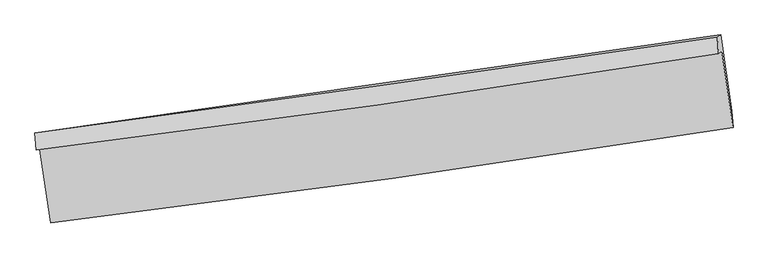
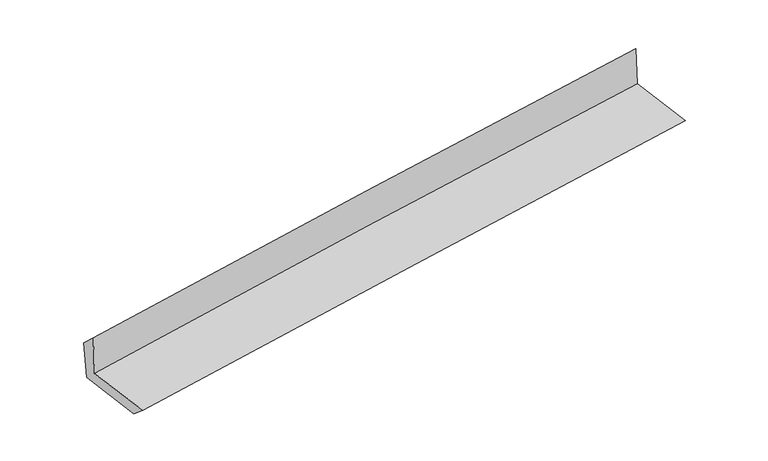
"""IFC4 building model written with IfcOpenShell, lengths in millimetres: proxy geometry."""

from ifc_helpers import new_model, si_unit, frame, origin, place, context, project, spatial, source, transform, mapped, element, save
from ifc_brep_helpers import plane_surface, spline_curve, spline_surface, advanced_brep


def generic_models_f742e2de(model_context):
    return source(origin(), model_context, "Body", "AdvancedBrep", [
        advanced_brep(
        [(-3001.2978966, -1900.1376278, 1641.5487792), (-2903.0364501, -2569.4283631, 1623.8942749), (3048.4663802, -1735.6371194, 2120.0906471), (2950.2450531, -1070.6756793, 2144.9667377), (-3030.3370132, -1930.7611915, 2053.8614609), (2920.9165983, -1093.2597092, 2546.5154553), (-3039.931067, -1783.6310301, 1909.8306197), (2911.8617423, -949.2481534, 2401.400298), (-3009.3467658, -1781.9626252, 1530.0876197), (2939.2880632, -927.0904761, 2024.0439223), (-2913.5321443, -2429.5646216, 1503.9212523), (3037.997227, -1591.5166779, 1992.2042267)],
        [
            (0, 1),
            (1, 2, spline_curve(3, [(-2903.0364501, -2569.4283631, 1623.8942749), (-1910.052603598, -2450.336901571, 1728.416683885), (-917.584117161, -2321.305682358, 1822.028691371), (1066.250084719, -2043.373824129, 1987.42589732), (2057.615875099, -1894.474628438, 2059.212680329), (3048.4663802, -1735.6371194, 2120.0906471)], [4, 2, 4], [0.0, 9.8935554498619, 19.78639227208304])),
            (2, 3),
            (3, 0, spline_curve(3, [(2950.2450531, -1070.6756793, 2144.9667377), (1958.290299, -1224.313894838, 2088.425704854), (966.369021459, -1370.252600943, 2018.20571252), (-1017.478633189, -1646.741035919, 1850.401713559), (-2009.405005532, -1777.289645926, 1752.815719913), (-3001.2978966, -1900.1376278, 1641.5487792)], [4, 2, 4], [0.0, 9.892836822221142, 19.78639227208304])),
            (4, 0),
            (3, 5),
            (5, 4, spline_curve(3, [(2920.9165983, -1093.2597092, 2546.5154553), (1929.658566374, -1250.474086615, 2487.765029247), (938.109772139, -1398.870850956, 2417.337232099), (-1045.641389565, -1678.039292842, 2253.120930282), (-2037.843798966, -1808.809689286, 2159.330729592), (-3030.3370132, -1930.7611915, 2053.8614609)], [4, 2, 4], [0.0, 9.89281476225559, 19.786348150549472])),
            (6, 4),
            (5, 7),
            (7, 6, spline_curve(3, [(2911.8617423, -949.2481534, 2401.400298), (1920.745422889, -1093.027485616, 2316.959707406), (929.222557335, -1234.446618391, 2233.776714234), (-1054.708319888, -1512.574587018, 2069.919972007), (-2047.116391099, -1649.283079525, 1989.246405614), (-3039.931067, -1783.6310301, 1909.8306197)], [4, 2, 4], [0.0, 9.891799294676362, 19.784317141626225])),
            (8, 6),
            (7, 9),
            (9, 8, spline_curve(3, [(2939.2880632, -927.0904761, 2024.0439223), (1946.98940107, -1067.985339265, 1949.02786621), (955.138489026, -1209.669500689, 1870.358440956), (-1027.739852351, -1494.626768956, 1705.706870616), (-2018.767216561, -1637.899990677, 1619.72419527), (-3009.3467658, -1781.9626252, 1530.0876197)], [4, 2, 4], [0.0, 9.891433209832371, 19.783584945345396])),
            (10, 8),
            (9, 11),
            (11, 10, spline_curve(3, [(3037.997227, -1591.5166779, 1992.2042267), (2044.768789159, -1727.443211205, 1919.787397837), (1052.211777699, -1865.241202081, 1842.890375989), (-931.631443869, -2144.590244877, 1680.130035671), (-1922.917556052, -2286.141568512, 1594.266065887), (-2913.5321443, -2429.5646216, 1503.9212523)], [4, 2, 4], [0.0, 9.891517346931016, 19.783753225654507])),
            (1, 10),
            (11, 2),
        ],
        [
            spline_surface(3, 3, [[(-3001.2978966, -1900.1376278, 1641.5487792), (-2009.405005505, -1777.289645917, 1752.815719948), (-1017.478633247, -1646.741035829, 1850.401713652), (966.369021516, -1370.252601034, 2018.205712427), (1958.290299159, -1224.313894923, 2088.425704903), (2950.2450531, -1070.6756793, 2144.9667377)], [(-2968.544081097, -2123.234539573, 1635.663944429), (-1976.287538233, -2001.638731112, 1744.682707894), (-984.180461203, -1871.595918059, 1840.944039595), (999.662709267, -1594.626342038, 2007.945774058), (1991.398824423, -1447.700806089, 2078.68803007), (2982.985495453, -1292.329492664, 2136.674707525)], [(-2935.790265603, -2346.331451327, 1629.779109671), (-1943.170070968, -2225.987816288, 1736.549695854), (-950.882289207, -2096.45080025, 1831.486365483), (1032.956396971, -1819.000083002, 1997.685835634), (2024.507349726, -1671.087717262, 2068.950355161), (3015.725937847, -1513.983306036, 2128.382677275)], [(-2903.0364501, -2569.4283631, 1623.8942749), (-1910.052603695, -2450.336901483, 1728.416683801), (-917.584117164, -2321.30568248, 1822.028691426), (1066.250084722, -2043.373824006, 1987.425897265), (2057.61587499, -1894.474628427, 2059.212680328), (3048.4663802, -1735.6371194, 2120.0906471)]], [4, 4], [4, 2, 4], [0.0, 2.2370341360856445], [0.0, 9.8935554498619, 19.78639227208304]),
            spline_surface(3, 3, [[(-3030.3370132, -1930.7611915, 2053.8614609), (-2037.843799068, -1808.809689234, 2159.330729579), (-1045.641389511, -1678.039292837, 2253.120930417), (938.109772086, -1398.870850962, 2417.337231964), (1929.658566347, -1250.474086627, 2487.765029275), (2920.9165983, -1093.2597092, 2546.5154553)], [(-3020.657307648, -1920.553336908, 1916.423900322), (-2028.364201196, -1798.303008103, 2023.825726358), (-1036.253804089, -1667.606540471, 2118.881191501), (947.529521896, -1389.331434289, 2284.293392125), (1939.202477294, -1241.754022734, 2354.65192114), (2930.69274991, -1085.731699242, 2412.665882756)], [(-3010.977602152, -1910.345482392, 1778.986339778), (-2018.884603378, -1787.796327048, 1888.320723169), (-1026.866218669, -1657.173788194, 1984.641452567), (956.949271705, -1379.792017706, 2151.249552267), (1948.746388212, -1233.033958816, 2221.538813038), (2940.46890149, -1078.203689258, 2278.816310244)], [(-3001.2978966, -1900.1376278, 1641.5487792), (-2009.405005505, -1777.289645917, 1752.815719948), (-1017.478633247, -1646.741035829, 1850.401713652), (966.369021516, -1370.252601034, 2018.205712427), (1958.290299159, -1224.313894923, 2088.425704903), (2950.2450531, -1070.6756793, 2144.9667377)]], [4, 4], [4, 2, 4], [0.0, 1.3222827545224993], [0.0, 9.893533388293882, 19.786348150549472]),
            spline_surface(3, 3, [[(-3039.931067, -1783.6310301, 1909.8306197), (-2047.11639104, -1649.283079669, 1989.246405722), (-1054.708319947, -1512.574586937, 2069.919972049), (929.222557394, -1234.446618473, 2233.776714192), (1920.745422786, -1093.027485617, 2316.959707306), (2911.8617423, -949.2481534, 2401.400298)], [(-3036.73304909, -1832.674417249, 1957.8409001), (-2044.025527073, -1702.458616206, 2045.941180341), (-1051.686009807, -1567.729488901, 2130.986958149), (932.184962286, -1289.254695967, 2294.963553427), (1923.716470651, -1145.509685942, 2373.894814625), (2914.880027644, -997.252005321, 2449.772017096)], [(-3033.53503111, -1881.717804351, 2005.8511805), (-2040.934663035, -1755.634152697, 2102.63595496), (-1048.663699652, -1622.884390872, 2192.053944317), (935.147367193, -1344.062773468, 2356.150392729), (1926.687518482, -1197.991886303, 2430.829921955), (2917.898312956, -1045.255857279, 2498.143736204)], [(-3030.3370132, -1930.7611915, 2053.8614609), (-2037.843799068, -1808.809689234, 2159.330729579), (-1045.641389511, -1678.039292837, 2253.120930417), (938.109772086, -1398.870850962, 2417.337231964), (1929.658566347, -1250.474086627, 2487.765029275), (2920.9165983, -1093.2597092, 2546.5154553)]], [4, 4], [4, 2, 4], [0.0, 0.8097480324204178], [0.0, 9.892517846949863, 19.784317141626225]),
            spline_surface(3, 3, [[(-3009.3467658, -1781.9626252, 1530.0876197), (-2018.767216518, -1637.899990687, 1619.724195391), (-1027.739852351, -1494.626768996, 1705.706870736), (955.138489025, -1209.669500648, 1870.358440836), (1946.989401211, -1067.985339285, 1949.027866312), (2939.2880632, -927.0904761, 2024.0439223)], [(-3019.541532847, -1782.518760161, 1656.668619718), (-2028.216941339, -1641.694353675, 1742.898265519), (-1036.729341543, -1500.609374991, 1827.11123785), (946.499845155, -1217.928539938, 1991.497865298), (1938.241408406, -1076.33272139, 2071.6718133), (2930.145956237, -934.476368528, 2149.829380857)], [(-3029.736299953, -1783.074895139, 1783.249619682), (-2037.66666622, -1645.488716681, 1866.072335594), (-1045.718830755, -1506.591980941, 1948.515604934), (937.861201264, -1226.187579183, 2112.63728973), (1929.493415591, -1084.680103512, 2194.315760317), (2921.003849263, -941.862260972, 2275.614839443)], [(-3039.931067, -1783.6310301, 1909.8306197), (-2047.11639104, -1649.283079669, 1989.246405722), (-1054.708319947, -1512.574586937, 2069.919972049), (929.222557394, -1234.446618473, 2233.776714192), (1920.745422786, -1093.027485617, 2316.959707306), (2911.8617423, -949.2481534, 2401.400298)]], [4, 4], [4, 2, 4], [0.0, 1.1988200279320576], [0.0, 9.892151735513025, 19.783584945345396]),
            spline_surface(3, 3, [[(-2913.5321443, -2429.5646216, 1503.9212523), (-1922.917556095, -2286.141568463, 1594.266065823), (-931.631443735, -2144.590244819, 1680.130035565), (1052.211777565, -1865.241202139, 1842.890376096), (2044.768789004, -1727.443211243, 1919.787397858), (3037.997227, -1591.5166779, 1992.2042267)], [(-2945.470351474, -2213.697289465, 1512.643374744), (-1954.86744291, -2070.061042536, 1602.752108989), (-963.667579951, -1927.935752883, 1688.655647281), (1019.854014708, -1646.717301647, 1852.046397668), (2012.175659739, -1507.623920612, 1929.534220694), (3005.0941724, -1370.041277322, 2002.817458585)], [(-2977.408558626, -1997.829957335, 1521.365497256), (-1986.817329704, -1853.980516614, 1611.238152225), (-995.703716135, -1711.281260932, 1697.18125902), (987.496251882, -1428.19340114, 1861.202419264), (1979.582530476, -1287.804629916, 1939.281043475), (2972.1911178, -1148.565876678, 2013.430690415)], [(-3009.3467658, -1781.9626252, 1530.0876197), (-2018.767216518, -1637.899990687, 1619.724195391), (-1027.739852351, -1494.626768996, 1705.706870736), (955.138489025, -1209.669500648, 1870.358440836), (1946.989401211, -1067.985339285, 1949.027866312), (2939.2880632, -927.0904761, 2024.0439223)]], [4, 4], [4, 2, 4], [0.0, 2.1666923032666134], [0.0, 9.892235878723492, 19.783753225654507]),
            spline_surface(3, 3, [[(-2903.0364501, -2569.4283631, 1623.8942749), (-1910.052603695, -2450.336901483, 1728.416683801), (-917.584117164, -2321.30568248, 1822.028691426), (1066.250084722, -2043.373824006, 1987.425897265), (2057.61587499, -1894.474628427, 2059.212680328), (3048.4663802, -1735.6371194, 2120.0906471)], [(-2906.535014844, -2522.807115945, 1583.903267388), (-1914.340921172, -2395.605123821, 1683.699811162), (-922.266559362, -2262.400536592, 1774.729139468), (1061.570648995, -1983.996283383, 1939.247390205), (2053.333512984, -1838.797489357, 2012.737586151), (3044.976662456, -1687.596972224, 2077.46184028)], [(-2910.033579556, -2476.185868755, 1543.912259812), (-1918.629238618, -2340.873346125, 1638.982938461), (-926.949001536, -2203.495390707, 1727.429587523), (1056.891213292, -1924.618742763, 1891.068883157), (2049.05115101, -1783.120350313, 1966.262492035), (3041.486944744, -1639.556825076, 2034.83303352)], [(-2913.5321443, -2429.5646216, 1503.9212523), (-1922.917556095, -2286.141568463, 1594.266065823), (-931.631443735, -2144.590244819, 1680.130035565), (1052.211777565, -1865.241202139, 1842.890376096), (2044.768789004, -1727.443211243, 1919.787397858), (3037.997227, -1591.5166779, 1992.2042267)]], [4, 4], [4, 2, 4], [0.0, 0.7494947568673231], [0.0, 9.892614335028227, 19.784510110774452]),
            plane_surface(frame((2968.1291773, -1227.9046359, 2204.8702145), z_axis=(0.9865177944737411, 0.1427225506085967, 0.08008067641099333), x_axis=(-0.07236496276895057, -0.05846352845131028, 0.995663260346826))),
            plane_surface(frame((-2982.9135562, -2065.9142432, 1710.5240011), z_axis=(-0.9865177944736887, -0.14272255060856467, -0.08008067641169617), x_axis=(-0.14520772821065817, 0.9890571596719225, 0.02608928074150221))),
        ],
        [
            (0, [[1, 2, 3, 4]]),
            (1, [[5, -4, 6, 7]]),
            (2, [[8, -7, 9, 10]]),
            (3, [[11, -10, 12, 13]]),
            (4, [[14, -13, 15, 16]]),
            (5, [[17, -16, 18, -2]]),
            (6, [[-12, -9, -6, -3, -18, -15]]),
            (7, [[-1, -5, -8, -11, -14, -17]]),
        ],
    ),
    ])


if __name__ == "__main__":
    model = new_model("IFC4")
    model_context = context("Model", 3, world=origin())
    ifc_project = project(units=[si_unit("LENGTHUNIT", "METRE", prefix="MILLI")], contexts=[model_context])
    site = spatial("IfcSite", under=ifc_project)
    building = spatial("IfcBuilding", under=site)
    placement = place(None, origin())
    generic_models_shape = generic_models_f742e2de(model_context)
    element("IfcBuildingElementProxy", 1, Name="Generic Models", at=placement, inside=building, context=model_context, shape_type="MappedRepresentation", body=[
        mapped(generic_models_shape, transform((0.0, 0.0, 0.0), x_axis=(1.0, 0.0, 0.0), y_axis=(0.0, 1.0, 0.0), z_axis=(0.0, 0.0, 1.0))),
    ])
    save(model, "model.ifc")
